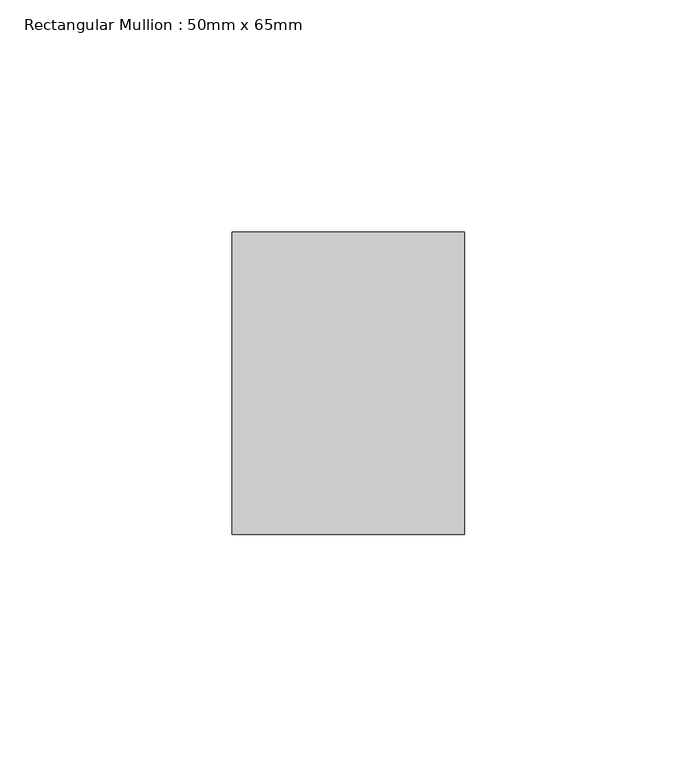
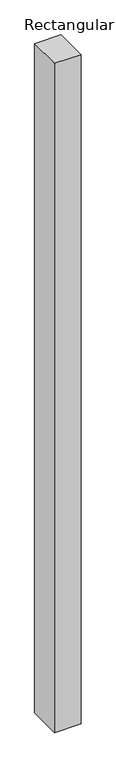
"""IFC4 building model written with IfcOpenShell, lengths in millimetres: member geometry, Rectangular Mullion : 50mm x 65mm."""

from ifc_helpers import new_model, si_unit, frame, origin, place, context, project, spatial, polyline, outline, extrude, source, transform, mapped, element, save


def rectangular_mullion_50mm_x_65mm_e434b283(model_context):
    return source(origin(), model_context, "Body", "SweptSolid", [
        extrude(outline(polyline([(25.0, 32.5), (25.0, -32.5), (-25.0, -32.5), (-25.0, 32.5), (25.0, 32.5)])), frame((0.0, 0.0, -1337.4790532), z_axis=(0.0, 0.0, 1.0), x_axis=(1.0, 0.0, 0.0)), (0.0, 0.0, 1.0), 1337.4790532),
    ])


if __name__ == "__main__":
    model = new_model("IFC4")
    model_context = context("Model", 3, world=origin())
    ifc_project = project(units=[si_unit("LENGTHUNIT", "METRE", prefix="MILLI")], contexts=[model_context])
    site = spatial("IfcSite", under=ifc_project)
    building = spatial("IfcBuilding", under=site)
    placement = place(None, origin())
    rectangular_mullion_50mm_x_65mm_shape = rectangular_mullion_50mm_x_65mm_e434b283(model_context)
    element("IfcMember", 1, ObjectType="Rectangular Mullion : 50mm x 65mm", at=placement, inside=building, context=model_context, shape_type="MappedRepresentation", body=[
        mapped(rectangular_mullion_50mm_x_65mm_shape, transform((0.0, 0.0, 0.0), x_axis=(1.0, 0.0, 0.0), y_axis=(0.0, 1.0, 0.0), z_axis=(0.0, 0.0, 1.0))),
    ])
    save(model, "model.ifc")
